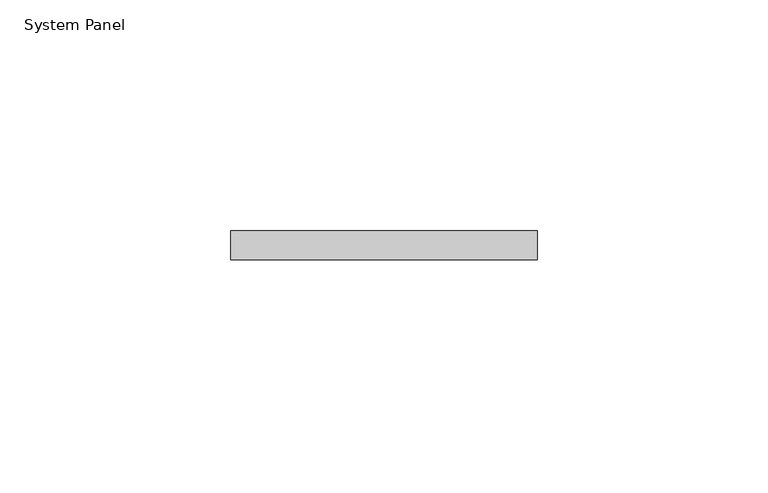
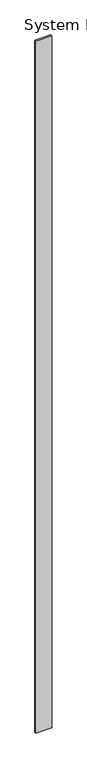
"""IFC4 building model written with IfcOpenShell, lengths in millimetres: plate geometry, System Panel."""

from ifc_helpers import new_model, si_unit, origin, origin_with_axes, place, context, project, spatial, polyline, outline, extrude, source, transform, mapped, element, save


def system_panel_5673106c(model_context):
    return source(origin(), model_context, "Body", "SweptSolid", [
        extrude(outline(polyline([(33.2536236, 0.0), (-33.2536236, 0.0), (-33.2536236, 6.35), (33.2536236, 6.35), (33.2536236, 0.0)])), origin_with_axes(), (0.0, 0.0, 1.0), 3048.0),
    ])


if __name__ == "__main__":
    model = new_model("IFC4")
    model_context = context("Model", 3, world=origin())
    ifc_project = project(units=[si_unit("LENGTHUNIT", "METRE", prefix="MILLI")], contexts=[model_context])
    site = spatial("IfcSite", under=ifc_project)
    building = spatial("IfcBuilding", under=site)
    placement = place(None, origin())
    system_panel_shape = system_panel_5673106c(model_context)
    element("IfcPlate", 1, ObjectType="System Panel", at=placement, inside=building, context=model_context, shape_type="MappedRepresentation", body=[
        mapped(system_panel_shape, transform((0.0, 0.0, 0.0), x_axis=(1.0, 0.0, 0.0), y_axis=(0.0, 1.0, 0.0), z_axis=(0.0, 0.0, 1.0))),
    ])
    save(model, "model.ifc")
